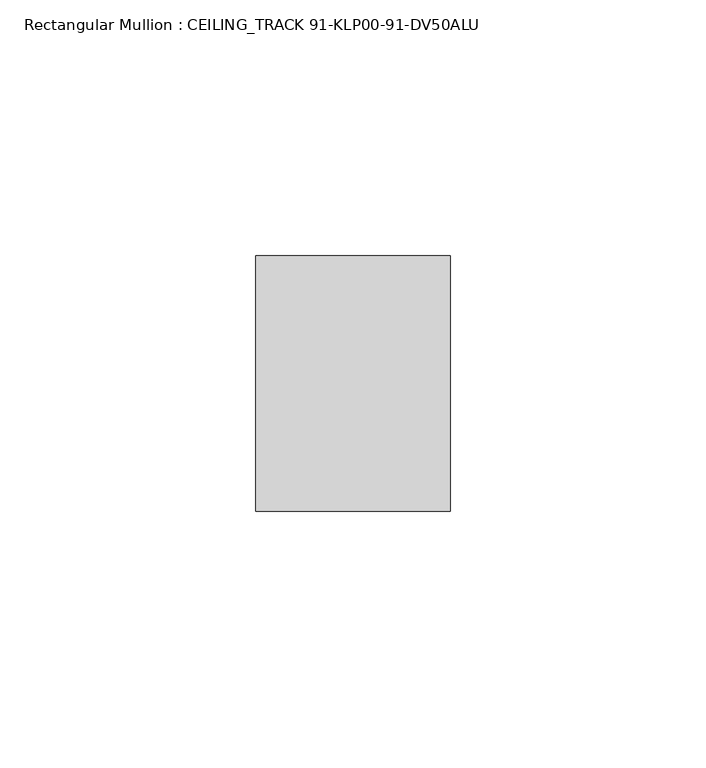
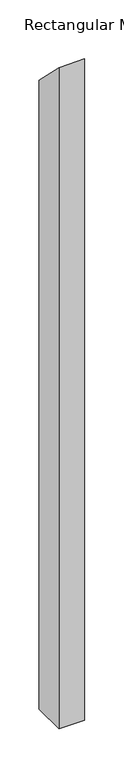
"""IFC4 building model written with IfcOpenShell, lengths in millimetres: member geometry, Rectangular Mullion : CEILING_TRACK 91-KLP00-91-DV50ALU."""

from ifc_helpers import new_model, si_unit, frame, origin, place, context, project, spatial, polyline, outline, extrude, source, transform, mapped, element, save


def rectangular_mullion_ceiling_track_91_klp00_91_dv50alu_4c7c7dc1(model_context):
    return source(origin(), model_context, "Body", "SweptSolid", [
        extrude(outline(polyline([(-25.0, 25.0), (25.0, -25.0), (25.0, -1000.0), (-25.0, -1000.0), (-25.0, 25.0)])), frame((-38.0, 0.0, 0.0), z_axis=(1.0, 0.0, 0.0), x_axis=(0.0, 1.0, 0.0)), (0.0, 0.0, 1.0), 38.0),
    ])


if __name__ == "__main__":
    model = new_model("IFC4")
    model_context = context("Model", 3, world=origin())
    ifc_project = project(units=[si_unit("LENGTHUNIT", "METRE", prefix="MILLI")], contexts=[model_context])
    site = spatial("IfcSite", under=ifc_project)
    building = spatial("IfcBuilding", under=site)
    placement = place(None, origin())
    rectangular_mullion_ceiling_track_91_klp00_91_dv50alu_shape = rectangular_mullion_ceiling_track_91_klp00_91_dv50alu_4c7c7dc1(model_context)
    element("IfcMember", 1, ObjectType="Rectangular Mullion : CEILING_TRACK 91-KLP00-91-DV50ALU", at=placement, inside=building, context=model_context, shape_type="MappedRepresentation", body=[
        mapped(rectangular_mullion_ceiling_track_91_klp00_91_dv50alu_shape, transform((0.0, 0.0, 0.0), x_axis=(1.0, 0.0, 0.0), y_axis=(0.0, 1.0, 0.0), z_axis=(0.0, 0.0, 1.0))),
    ])
    save(model, "model.ifc")
